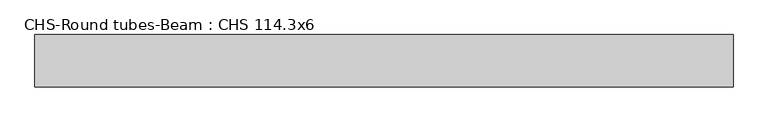
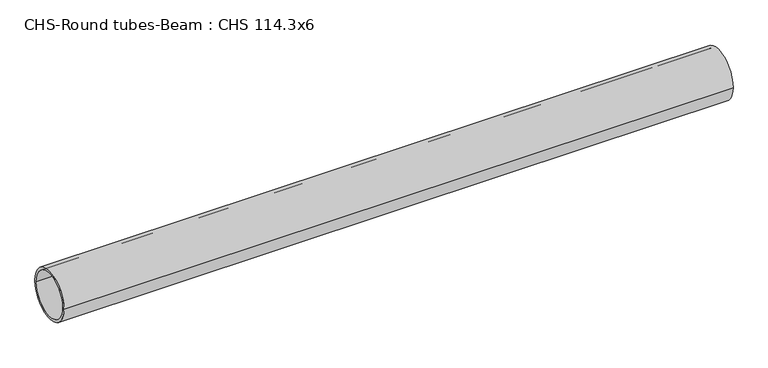
"""IFC4 building model written with IfcOpenShell, lengths in millimetres: beam geometry, CHS-Round tubes-Beam : CHS 114.3x6."""

from ifc_helpers import new_model, si_unit, point, frame, origin, origin_2d, place, context, project, spatial, circle_curve, trimmed, segment, composite_curve, outline, extrude, source, transform, mapped, element, save


def chs_round_tubes_beam_chs_114_3x6_195ad1d8(model_context):
    return source(origin(), model_context, "Body", "SweptSolid", [
        extrude(outline(composite_curve([segment(trimmed(circle_curve(origin_2d(), 57.15), [point((57.15, 0.0))], [point((-57.15, 0.0))], False, "CARTESIAN"), True, "CONTINUOUS"), segment(trimmed(circle_curve(origin_2d(), 57.15), [point((-57.15, 0.0))], [point((57.15, 0.0))], False, "CARTESIAN"), True, "CONTINUOUS")], self_intersect=False), holes=[composite_curve([segment(trimmed(circle_curve(origin_2d(), 51.15), [point((51.15, 0.0))], [point((-51.15, 0.0))], True, "CARTESIAN"), True, "CONTINUOUS"), segment(trimmed(circle_curve(origin_2d(), 51.15), [point((-51.15, 0.0))], [point((51.15, 0.0))], True, "CARTESIAN"), True, "CONTINUOUS")], self_intersect=False)]), frame((-744.6214976, 0.0, 0.0), z_axis=(1.0, 0.0, 0.0), x_axis=(0.0, 1.0, 0.0)), (0.0, 0.0, 1.0), 1519.4904376),
    ])


if __name__ == "__main__":
    model = new_model("IFC4")
    model_context = context("Model", 3, world=origin())
    ifc_project = project(units=[si_unit("LENGTHUNIT", "METRE", prefix="MILLI")], contexts=[model_context])
    site = spatial("IfcSite", under=ifc_project)
    building = spatial("IfcBuilding", under=site)
    placement = place(None, origin())
    chs_round_tubes_beam_chs_114_3x6_shape = chs_round_tubes_beam_chs_114_3x6_195ad1d8(model_context)
    element("IfcBeam", 1, ObjectType="CHS-Round tubes-Beam : CHS 114.3x6", at=placement, inside=building, context=model_context, shape_type="MappedRepresentation", body=[
        mapped(chs_round_tubes_beam_chs_114_3x6_shape, transform((0.0, 0.0, 0.0), x_axis=(1.0, 0.0, 0.0), y_axis=(0.0, 1.0, 0.0), z_axis=(0.0, 0.0, 1.0))),
    ])
    save(model, "model.ifc")
